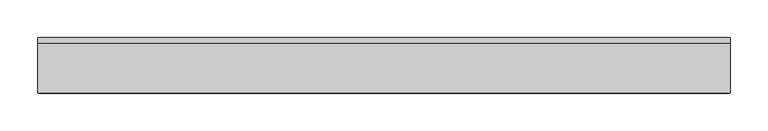
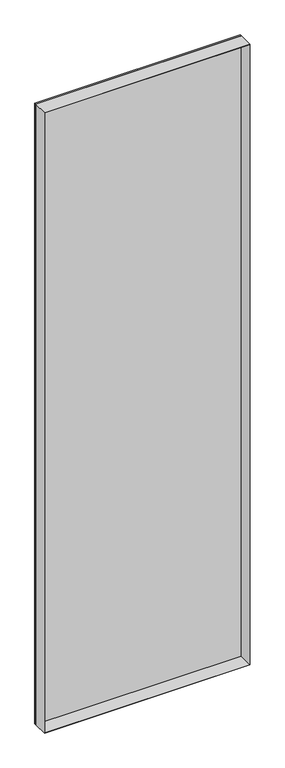
"""IFC4 building model written with IfcOpenShell, lengths in millimetres: plate geometry."""

from ifc_helpers import new_model, si_unit, frame, origin, origin_with_axes, place, context, project, spatial, polyline, outline, extrude, source, transform, mapped, element, save


def plate_0e1169ad(model_context):
    return source(origin(), model_context, "Body", "SweptSolid", [
        extrude(outline(polyline([(2936.0, -460.9186914), (0.0, -460.9186914), (0.0, 460.9186914), (2936.0, 460.9186914), (2936.0, -460.9186914)]), holes=[polyline([(2935.0, -459.9186914), (2935.0, 459.9186914), (1.0, 459.9186914), (1.0, -459.9186914), (2935.0, -459.9186914)])]), frame((0.0, -37.2, 0.0), z_axis=(0.0, 1.0, 0.0), x_axis=(0.0, 0.0, 1.0)), (0.0, 0.0, 1.0), 66.4),
        extrude(outline(polyline([(460.9186914, 29.2), (-460.9186914, 29.2), (-460.9186914, 37.2), (460.9186914, 37.2), (460.9186914, 29.2)])), origin_with_axes(), (0.0, 0.0, 1.0), 2936.0),
    ])


if __name__ == "__main__":
    model = new_model("IFC4")
    model_context = context("Model", 3, world=origin())
    ifc_project = project(units=[si_unit("LENGTHUNIT", "METRE", prefix="MILLI")], contexts=[model_context])
    site = spatial("IfcSite", under=ifc_project)
    building = spatial("IfcBuilding", under=site)
    placement = place(None, origin())
    plate_shape = plate_0e1169ad(model_context)
    element("IfcPlate", 1, at=placement, inside=building, context=model_context, shape_type="MappedRepresentation", body=[
        mapped(plate_shape, transform((0.0, 0.0, 0.0), x_axis=(1.0, 0.0, 0.0), y_axis=(0.0, 1.0, 0.0), z_axis=(0.0, 0.0, 1.0))),
    ])
    save(model, "model.ifc")
